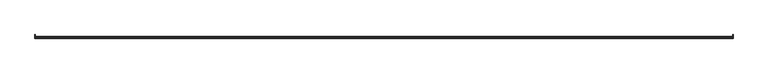
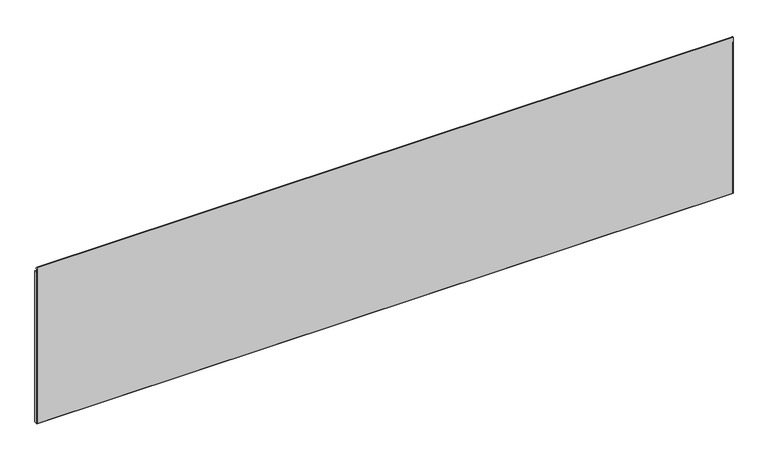
"""IFC4 building model written with IfcOpenShell, lengths in millimetres: furniture geometry."""

from ifc_helpers import new_model, si_unit, point, frame, frame_2d, origin, place, context, project, spatial, polyline, circle_curve, trimmed, segment, composite_curve, outline, extrude, source, transform, mapped, element, save


def furniture_d8cd3621(model_context):
    return source(origin(), model_context, "Body", "SweptSolid", [
        extrude(outline(composite_curve([segment(trimmed(circle_curve(frame_2d((8.4095119, 520.8810587)), 1.651), [point((8.4095119, 522.5320587))], [point((10.0605119, 520.8810587))], False, "CARTESIAN"), True, "CONTINUOUS"), segment(polyline([(10.0605119, 520.8810587), (10.0605119, 104.8366971)]), True, "CONTINUOUS"), segment(trimmed(circle_curve(frame_2d((8.4018919, 104.8366971)), 1.65862), [point((10.0605119, 104.8366971))], [point((8.4018919, 103.1780771))], False, "CARTESIAN"), True, "CONTINUOUS"), segment(polyline([(8.4018919, 103.1780771), (1.2721123, 103.1780771), (1.2721123, 522.5320587), (8.4095119, 522.5320587)]), True, "CONTINUOUS")], self_intersect=False)), frame((1827.4284097, 0.0, 0.0), z_axis=(1.0, 0.0, 0.0), x_axis=(0.0, 1.0, 0.0)), (0.0, 0.0, 1.0), 0.7366),
        extrude(outline(composite_curve([segment(trimmed(circle_curve(frame_2d((8.4095119, 520.8810587)), 1.651), [point((8.4095119, 522.5320587))], [point((10.0605119, 520.8810587))], False, "CARTESIAN"), True, "CONTINUOUS"), segment(polyline([(10.0605119, 520.8810587), (10.0605119, 104.8366971)]), True, "CONTINUOUS"), segment(trimmed(circle_curve(frame_2d((8.4018919, 104.8366971)), 1.65862), [point((10.0605119, 104.8366971))], [point((8.4018919, 103.1780771))], False, "CARTESIAN"), True, "CONTINUOUS"), segment(polyline([(8.4018919, 103.1780771), (1.2721123, 103.1780771), (1.2721123, 522.5320587), (8.4095119, 522.5320587)]), True, "CONTINUOUS")], self_intersect=False)), frame((0.6350928, 0.0, 0.0), z_axis=(1.0, 0.0, 0.0), x_axis=(0.0, 1.0, 0.0)), (0.0, 0.0, 1.0), 0.7365942),
        extrude(outline(composite_curve([segment(polyline([(5.2083792, 532.0391456), (4.5239572, 531.6440005), (2.0304576, 535.9628641)]), True, "CONTINUOUS"), segment(trimmed(circle_curve(frame_2d((1.6785084, 535.7596659)), 0.4063961), [point((2.0304576, 535.9628641))], [point((1.2721123, 535.7596659))], True, "CARTESIAN"), True, "CONTINUOUS"), segment(polyline([(1.2721123, 535.7596659), (1.2721123, 102.4414771), (0.5355123, 103.1780771), (0.5355123, 535.8670732), (1.3826821, 536.971112), (2.6683793, 536.4386227), (5.2083792, 532.0391456)]), True, "CONTINUOUS")], self_intersect=False)), frame((0.6350928, 0.0, 0.0), z_axis=(1.0, 0.0, 0.0), x_axis=(0.0, 1.0, 0.0)), (0.0, 0.0, 1.0), 1827.5299169),
    ])


if __name__ == "__main__":
    model = new_model("IFC4")
    model_context = context("Model", 3, world=origin())
    ifc_project = project(units=[si_unit("LENGTHUNIT", "METRE", prefix="MILLI")], contexts=[model_context])
    site = spatial("IfcSite", under=ifc_project)
    building = spatial("IfcBuilding", under=site)
    placement = place(None, origin())
    furniture_shape = furniture_d8cd3621(model_context)
    element("IfcFurniture", 1, at=placement, inside=building, context=model_context, shape_type="MappedRepresentation", body=[
        mapped(furniture_shape, transform((0.0, 0.0, 0.0), x_axis=(1.0, 0.0, 0.0), y_axis=(0.0, 1.0, 0.0), z_axis=(0.0, 0.0, 1.0))),
    ])
    save(model, "model.ifc")
